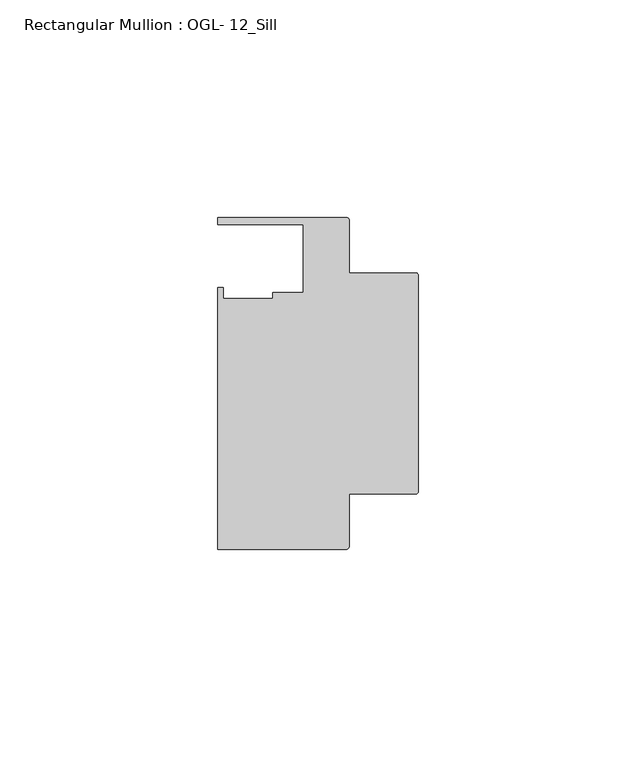
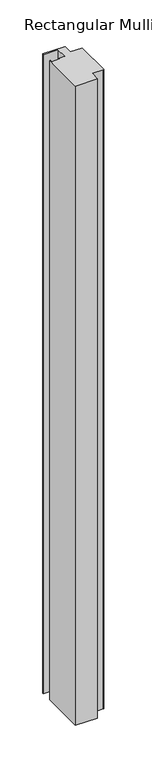
"""IFC4 building model written with IfcOpenShell, lengths in millimetres: member geometry, Rectangular Mullion : OGL- 12_Sill."""

from ifc_helpers import new_model, si_unit, point, frame, frame_2d, origin, place, context, project, spatial, polyline, circle_curve, trimmed, segment, composite_curve, outline, extrude, source, transform, mapped, element, save


def rectangular_mullion_ogl_12_sill_e188c96e(model_context):
    return source(origin(), model_context, "Body", "SweptSolid", [
        extrude(outline(composite_curve([segment(polyline([(-0.5953125, -25.4), (-15.8750672, -25.4), (-15.8750672, -37.5043667)]), True, "CONTINUOUS"), segment(trimmed(circle_curve(frame_2d((-16.4703797, -37.5043667)), 0.5953125), [point((-15.8750672, -37.5043667))], [point((-16.4703797, -38.0996792))], False, "CARTESIAN"), True, "CONTINUOUS"), segment(polyline([(-16.4703797, -38.0996792), (-46.0339598, -38.0996792), (-46.0339598, 21.9710976), (-44.7780305, 21.9710976), (-44.7780305, 19.4824275), (-33.3985545, 19.4824275), (-33.3985545, 20.8257348), (-26.3720794, 20.8257348), (-26.3720794, 36.512516), (-46.0248655, 36.512516), (-46.0248655, 38.100016), (-16.4703797, 38.100016)]), True, "CONTINUOUS"), segment(trimmed(circle_curve(frame_2d((-16.4703797, 37.5047035)), 0.5953125), [point((-16.4703797, 38.100016))], [point((-15.8750672, 37.5047035))], False, "CARTESIAN"), True, "CONTINUOUS"), segment(polyline([(-15.8750672, 37.5047035), (-15.8750672, 25.4), (-0.5953125, 25.4)]), True, "CONTINUOUS"), segment(trimmed(circle_curve(frame_2d((-0.5953125, 24.8046875)), 0.5953125), [point((-0.5953125, 25.4))], [point((0.0, 24.8046875))], False, "CARTESIAN"), True, "CONTINUOUS"), segment(polyline([(0.0, 24.8046875), (0.0, -24.8046875)]), True, "CONTINUOUS"), segment(trimmed(circle_curve(frame_2d((-0.5953125, -24.8046875)), 0.5953125), [point((0.0, -24.8046875))], [point((-0.5953125, -25.4))], False, "CARTESIAN"), True, "CONTINUOUS")], self_intersect=False)), frame((0.0, 0.0, -914.4), z_axis=(0.0, 0.0, 1.0), x_axis=(1.0, 0.0, 0.0)), (0.0, 0.0, 1.0), 914.4),
    ])


if __name__ == "__main__":
    model = new_model("IFC4")
    model_context = context("Model", 3, world=origin())
    ifc_project = project(units=[si_unit("LENGTHUNIT", "METRE", prefix="MILLI")], contexts=[model_context])
    site = spatial("IfcSite", under=ifc_project)
    building = spatial("IfcBuilding", under=site)
    placement = place(None, origin())
    rectangular_mullion_ogl_12_sill_shape = rectangular_mullion_ogl_12_sill_e188c96e(model_context)
    element("IfcMember", 1, ObjectType="Rectangular Mullion : OGL- 12_Sill", at=placement, inside=building, context=model_context, shape_type="MappedRepresentation", body=[
        mapped(rectangular_mullion_ogl_12_sill_shape, transform((0.0, 0.0, 0.0), x_axis=(1.0, 0.0, 0.0), y_axis=(0.0, 1.0, 0.0), z_axis=(0.0, 0.0, 1.0))),
    ])
    save(model, "model.ifc")
